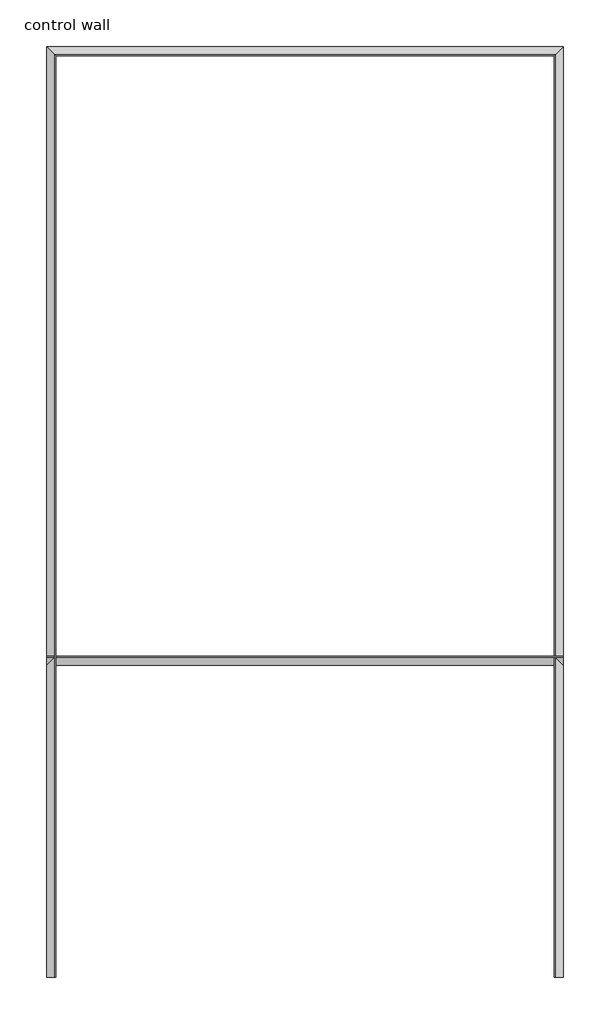
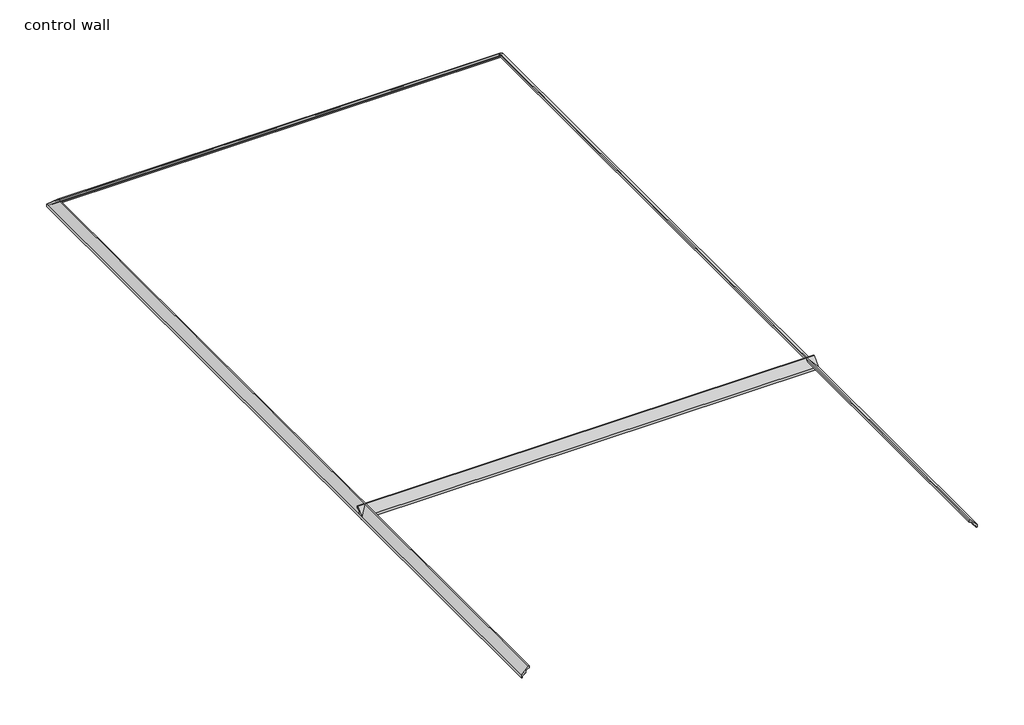
# One storey: 4 proxies.
"""IFC4 building model written with IfcOpenShell, lengths in millimetres."""

from ifc_helpers import new_model, si_unit, point, frame, frame_2d, origin, place, context, project, spatial, polyline, circle_curve, ellipse_curve, trimmed, segment, composite_curve, outline, extrude, element, save
from ifc_brep_helpers import plane_surface, cylinder_surface, revolved_surface, advanced_brep

model = new_model("IFC4")

# Units and contexts
model_context = context("Model", 3, world=origin())
ifc_project = project(units=[si_unit("LENGTHUNIT", "METRE", prefix="MILLI")], contexts=[model_context])

# Site, building, storey
site = spatial("IfcSite", under=ifc_project)
building = spatial("IfcBuilding", under=site)
storey = spatial("IfcBuildingStorey", under=building, Name="control wall", Elevation=2133.6)

# Proxies
placement = place(None, origin())
element("IfcBuildingElementProxy", 1, Name="Wall Sweeps", at=placement, inside=storey, context=model_context, shape_type="AdvancedBrep", body=[
    advanced_brep(
    [(18315.1984382, -10416.8252894, 2678.1793892), (18315.1984382, -10416.8252894, 2654.3), (18324.1786943, -10425.8055455, 2654.3), (18324.1786943, -10425.8055455, 2663.2802561), (18337.6490785, -10439.2759297, 2676.7506403), (18337.6490785, -10439.2759297, 2683.1006403), (18358.1737583, -10459.8006095, 2703.6253202), (18378.6984382, -10480.3252894, 2724.15), (18388.321747, -10489.9485982, 2724.15), (18388.321747, -10489.9485982, 2743.2), (18380.219049, -10481.8459002, 2743.2), (22429.9984382, -10416.8252894, 2678.1793892), (22364.9778274, -10481.8459002, 2743.2), (22356.8751294, -10489.9485982, 2743.2), (22356.8751294, -10489.9485982, 2724.15), (22366.4984382, -10480.3252894, 2724.15), (22387.023118, -10459.8006095, 2703.6253202), (22407.5477979, -10439.2759297, 2683.1006403), (22407.5477979, -10439.2759297, 2676.7506403), (22421.0181821, -10425.8055455, 2663.2802561), (22421.0181821, -10425.8055455, 2654.3), (22429.9984382, -10416.8252894, 2654.3)],
    [
        (0, 1),
        (1, 2),
        (2, 3),
        (3, 4, ellipse_curve(frame((18337.6490785, -10439.2759297, 2663.2802561), z_axis=(0.7071067811865476, 0.7071067811865476, 0.0), x_axis=(0.7071067811865474, -0.7071067811865476, 0.0)), 19.05, 13.4703842)),
        (4, 5),
        (5, 6, ellipse_curve(frame((18337.6490785, -10439.2759297, 2703.6253202), z_axis=(-0.7071067811865476, -0.7071067811865476, 0.0), x_axis=(-0.7071067811865474, 0.7071067811865476, 0.0)), 29.0262806, 20.5246798)),
        (6, 7, ellipse_curve(frame((18378.6984382, -10480.3252894, 2703.6253202), z_axis=(0.7071067811865476, 0.7071067811865476, 0.0), x_axis=(0.7071067811865474, -0.7071067811865476, 0.0)), 29.0262806, 20.5246798)),
        (7, 8),
        (8, 9),
        (9, 10),
        (10, 0),
        (11, 12),
        (12, 13),
        (13, 14),
        (14, 15),
        (15, 16, ellipse_curve(frame((22366.4984382, -10480.3252894, 2703.6253202), z_axis=(-0.707106781186544, 0.7071067811865511, 0.0), x_axis=(0.7071067811865509, 0.7071067811865441, 0.0)), 29.0262806, 20.5246798)),
        (16, 17, ellipse_curve(frame((22407.5477979, -10439.2759297, 2703.6253202), z_axis=(0.707106781186544, -0.7071067811865511, 0.0), x_axis=(-0.7071067811865509, -0.7071067811865441, 0.0)), 29.0262806, 20.5246798)),
        (17, 18),
        (18, 19, ellipse_curve(frame((22407.5477979, -10439.2759297, 2663.2802561), z_axis=(-0.707106781186544, 0.7071067811865511, 0.0), x_axis=(0.7071067811865509, 0.7071067811865441, 0.0)), 19.05, 13.4703842)),
        (19, 20),
        (20, 21),
        (21, 11),
        (0, 11),
        (21, 1),
        (20, 2),
        (19, 3),
        (18, 4),
        (17, 5),
        (16, 6),
        (15, 7),
        (14, 8),
        (13, 9),
        (12, 10),
    ],
    [
        plane_surface(frame((18315.1984382, -10416.8252894, 2959.1), z_axis=(-0.7071067811865476, -0.7071067811865476, 0.0), x_axis=(0.7071067811865476, -0.7071067811865476, 0.0))),
        plane_surface(frame((22429.9984382, -10416.8252894, 2959.1), z_axis=(0.707106781186544, -0.7071067811865511, 0.0), x_axis=(-0.7071067811865511, -0.707106781186544, 0.0))),
        plane_surface(frame((18315.1984382, -10416.8252894, 2678.1793892), z_axis=(0.0, 1.0, 0.0), x_axis=(1.0, 0.0, 0.0))),
        plane_surface(frame((18315.1984382, -10416.8252894, 2654.3), z_axis=(0.0, 0.0, -1.0), x_axis=(1.0, 0.0, 0.0))),
        plane_surface(frame((18324.1786943, -10425.8055455, 2654.3), z_axis=(0.0, -1.0, 0.0), x_axis=(1.0, 0.0, 0.0))),
        revolved_surface(polyline([(22421.0181821, -10452.7463139, 2663.2802561), (18324.1786943, -10452.7463139, 2663.2802561)]), (18315.1984382, -10439.2759297, 2663.2802561), (1.0, 0.0, 0.0)),
        plane_surface(frame((18337.6490785, -10439.2759297, 2676.7506403), z_axis=(0.0, -1.0, 0.0), x_axis=(1.0, 0.0, 0.0))),
        cylinder_surface(frame((18315.1984382, -10439.2759297, 2703.6253202), z_axis=(-1.0, 0.0, 0.0), x_axis=(0.0, -1.0, 0.0)), 20.5246798),
        revolved_surface(polyline([(22387.023118044883, -10500.8499692, 2703.6253202), (18358.1737583, -10500.8499692, 2703.6253202)]), (18315.1984382, -10480.3252894, 2703.6253202), (1.0, 0.0, 0.0)),
        plane_surface(frame((18378.6984382, -10480.3252894, 2724.15), z_axis=(0.0, 0.0, -1.0), x_axis=(1.0, 0.0, 0.0))),
        plane_surface(frame((18388.321747, -10489.9485982, 2724.15), z_axis=(0.0, -1.0, 0.0), x_axis=(1.0, 0.0, 0.0))),
        plane_surface(frame((18388.321747, -10489.9485982, 2743.2), z_axis=(0.0, 0.0, 1.0), x_axis=(1.0, 0.0, 0.0))),
        plane_surface(frame((18380.219049, -10481.8459002, 2743.2), z_axis=(0.0, 0.707106781186547, 0.707106781186548), x_axis=(1.0, 0.0, 0.0))),
    ],
    [
        (0, [[1, 2, 3, 4, 5, 6, 7, 8, 9, 10, 11]]),
        (1, [[12, 13, 14, 15, 16, 17, 18, 19, 20, 21, 22]]),
        (2, [[-1, 23, -22, 24]]),
        (3, [[-2, -24, -21, 25]]),
        (4, [[-3, -25, -20, 26]]),
        (5, [[-4, -26, -19, 27]]),
        (6, [[-5, -27, -18, 28]]),
        (7, [[-6, -28, -17, 29]]),
        (8, [[-7, -29, -16, 30]]),
        (9, [[-8, -30, -15, 31]]),
        (10, [[-9, -31, -14, 32]]),
        (11, [[-10, -32, -13, 33]]),
        (12, [[-11, -33, -12, -23]]),
    ],
),
])
element("IfcBuildingElementProxy", 2, Name="Wall Sweeps", at=placement, inside=storey, context=model_context, shape_type="AdvancedBrep", body=[
    advanced_brep(
    [(18315.1984382, -17830.1377894, 2678.1793892), (18315.1984382, -17830.1377894, 2654.3), (18324.1786943, -17830.1377894, 2654.3), (18324.1786943, -17830.1377894, 2663.2802561), (18337.6490785, -17830.1377894, 2676.7506403), (18337.6490785, -17830.1377894, 2683.1006403), (18358.1737583, -17830.1377894, 2703.6253202), (18378.6984382, -17830.1377894, 2724.15), (18388.321747, -17830.1377894, 2724.15), (18388.321747, -17830.1377894, 2743.2), (18380.219049, -17830.1377894, 2743.2), (18315.1984382, -10416.8252894, 2678.1793892), (18380.219049, -10481.8459002, 2743.2), (18388.321747, -10489.9485982, 2743.2), (18388.321747, -10489.9485982, 2724.15), (18378.6984382, -10480.3252894, 2724.15), (18358.1737583, -10459.8006095, 2703.6253202), (18337.6490785, -10439.2759297, 2683.1006403), (18337.6490785, -10439.2759297, 2676.7506403), (18324.1786943, -10425.8055455, 2663.2802561), (18324.1786943, -10425.8055455, 2654.3), (18315.1984382, -10416.8252894, 2654.3)],
    [
        (0, 1),
        (1, 2),
        (2, 3),
        (3, 4, circle_curve(frame((18337.6490785, -17830.1377894, 2663.2802561), z_axis=(0.0, 1.0, 0.0), x_axis=(1.0, 0.0, 0.0)), 13.4703842)),
        (4, 5),
        (5, 6, circle_curve(frame((18337.6490785, -17830.1377894, 2703.6253202), z_axis=(0.0, -1.0, 0.0), x_axis=(1.0, 0.0, 0.0)), 20.5246798)),
        (6, 7, circle_curve(frame((18378.6984382, -17830.1377894, 2703.6253202), z_axis=(0.0, 1.0, 0.0), x_axis=(1.0, 0.0, 0.0)), 20.5246798)),
        (7, 8),
        (8, 9),
        (9, 10),
        (10, 0),
        (11, 12),
        (12, 13),
        (13, 14),
        (14, 15),
        (15, 16, ellipse_curve(frame((18378.6984382, -10480.3252894, 2703.6253202), z_axis=(-0.7071067811865476, -0.7071067811865476, 0.0), x_axis=(-0.7071067811865476, 0.7071067811865474, 0.0)), 29.0262806, 20.5246798)),
        (16, 17, ellipse_curve(frame((18337.6490785, -10439.2759297, 2703.6253202), z_axis=(0.7071067811865476, 0.7071067811865476, 0.0), x_axis=(0.7071067811865476, -0.7071067811865474, 0.0)), 29.0262806, 20.5246798)),
        (17, 18),
        (18, 19, ellipse_curve(frame((18337.6490785, -10439.2759297, 2663.2802561), z_axis=(-0.7071067811865476, -0.7071067811865476, 0.0), x_axis=(-0.7071067811865476, 0.7071067811865474, 0.0)), 19.05, 13.4703842)),
        (19, 20),
        (20, 21),
        (21, 11),
        (0, 11),
        (21, 1),
        (20, 2),
        (19, 3),
        (18, 4),
        (17, 5),
        (16, 6),
        (15, 7),
        (14, 8),
        (13, 9),
        (12, 10),
    ],
    [
        plane_surface(frame((18200.0888022, -17830.1377894, 2654.3), z_axis=(0.0, -1.0, 0.0), x_axis=(0.0, 0.0, 1.0))),
        plane_surface(frame((18315.1984382, -10416.8252894, 2959.1), z_axis=(0.7071067811865476, 0.7071067811865476, 0.0), x_axis=(0.7071067811865476, -0.7071067811865476, 0.0))),
        plane_surface(frame((18315.1984382, -17830.1377894, 2678.1793892), z_axis=(-1.0, 0.0, 0.0), x_axis=(0.0, 1.0, 0.0))),
        plane_surface(frame((18315.1984382, -17830.1377894, 2654.3), z_axis=(0.0, 0.0, -1.0), x_axis=(0.0, 1.0, 0.0))),
        plane_surface(frame((18324.1786943, -17830.1377894, 2654.3), z_axis=(1.0, 0.0, 0.0), x_axis=(0.0, 1.0, 0.0))),
        revolved_surface(polyline([(18351.1194627, -10425.8055455, 2663.2802561), (18351.1194627, -17830.1377894, 2663.2802561)]), (18337.6490785, -17830.1377894, 2663.2802561), (0.0, 1.0, 0.0)),
        plane_surface(frame((18337.6490785, -17830.1377894, 2676.7506403), z_axis=(1.0, 0.0, 0.0), x_axis=(0.0, 1.0, 0.0))),
        cylinder_surface(frame((18337.6490785, -17830.1377894, 2703.6253202), z_axis=(0.0, -1.0, 0.0), x_axis=(1.0, 0.0, 0.0)), 20.5246798),
        revolved_surface(polyline([(18399.223118, -10459.8006095, 2703.6253202), (18399.223118, -17830.1377894, 2703.6253202)]), (18378.6984382, -17830.1377894, 2703.6253202), (0.0, 1.0, 0.0)),
        plane_surface(frame((18378.6984382, -17830.1377894, 2724.15), z_axis=(0.0, 0.0, -1.0), x_axis=(0.0, 1.0, 0.0))),
        plane_surface(frame((18388.321747, -17830.1377894, 2724.15), z_axis=(1.0, 0.0, 0.0), x_axis=(0.0, 1.0, 0.0))),
        plane_surface(frame((18388.321747, -17830.1377894, 2743.2), z_axis=(0.0, 0.0, 1.0), x_axis=(0.0, 1.0, 0.0))),
        plane_surface(frame((18380.219049, -17830.1377894, 2743.2), z_axis=(-0.707106781186547, 0.0, 0.707106781186548), x_axis=(0.0, 1.0, 0.0))),
    ],
    [
        (0, [[1, 2, 3, 4, 5, 6, 7, 8, 9, 10, 11]]),
        (1, [[12, 13, 14, 15, 16, 17, 18, 19, 20, 21, 22]]),
        (2, [[-1, 23, -22, 24]]),
        (3, [[-2, -24, -21, 25]]),
        (4, [[-3, -25, -20, 26]]),
        (5, [[-4, -26, -19, 27]]),
        (6, [[-5, -27, -18, 28]]),
        (7, [[-6, -28, -17, 29]]),
        (8, [[-7, -29, -16, 30]]),
        (9, [[-8, -30, -15, 31]]),
        (10, [[-9, -31, -14, 32]]),
        (11, [[-10, -32, -13, 33]]),
        (12, [[-11, -33, -12, -23]]),
    ],
),
])
element("IfcBuildingElementProxy", 3, Name="Wall Sweeps", at=placement, inside=storey, context=model_context, shape_type="AdvancedBrep", body=[
    advanced_brep(
    [(22429.9984382, -10416.8252894, 2678.1793892), (22429.9984382, -10416.8252894, 2654.3), (22421.0181821, -10425.8055455, 2654.3), (22421.0181821, -10425.8055455, 2663.2802561), (22407.5477979, -10439.2759297, 2676.7506403), (22407.5477979, -10439.2759297, 2683.1006403), (22387.023118, -10459.8006095, 2703.6253202), (22366.4984382, -10480.3252894, 2724.15), (22356.8751294, -10489.9485982, 2724.15), (22356.8751294, -10489.9485982, 2743.2), (22364.9778274, -10481.8459002, 2743.2), (22429.9984382, -17830.1377894, 2678.1793892), (22364.9778274, -17830.1377894, 2743.2), (22356.8751294, -17830.1377894, 2743.2), (22356.8751294, -17830.1377894, 2724.15), (22366.4984382, -17830.1377894, 2724.15), (22387.023118, -17830.1377894, 2703.6253202), (22407.5477979, -17830.1377894, 2683.1006403), (22407.5477979, -17830.1377894, 2676.7506403), (22421.0181821, -17830.1377894, 2663.2802561), (22421.0181821, -17830.1377894, 2654.3), (22429.9984382, -17830.1377894, 2654.3)],
    [
        (0, 1),
        (1, 2),
        (2, 3),
        (3, 4, ellipse_curve(frame((22407.5477979, -10439.2759297, 2663.2802561), z_axis=(0.707106781186544, -0.7071067811865511, 0.0), x_axis=(-0.7071067811865511, -0.7071067811865438, 0.0)), 19.05, 13.4703842)),
        (4, 5),
        (5, 6, ellipse_curve(frame((22407.5477979, -10439.2759297, 2703.6253202), z_axis=(-0.707106781186544, 0.7071067811865511, 0.0), x_axis=(0.7071067811865511, 0.7071067811865438, 0.0)), 29.0262806, 20.5246798)),
        (6, 7, ellipse_curve(frame((22366.4984382, -10480.3252894, 2703.6253202), z_axis=(0.707106781186544, -0.7071067811865511, 0.0), x_axis=(-0.7071067811865511, -0.7071067811865438, 0.0)), 29.0262806, 20.5246798)),
        (7, 8),
        (8, 9),
        (9, 10),
        (10, 0),
        (11, 12),
        (12, 13),
        (13, 14),
        (14, 15),
        (15, 16, circle_curve(frame((22366.4984382, -17830.1377894, 2703.6253202), z_axis=(0.0, 1.0, 0.0), x_axis=(-1.0, 0.0, 0.0)), 20.5246798)),
        (16, 17, circle_curve(frame((22407.5477979, -17830.1377894, 2703.6253202), z_axis=(0.0, -1.0, 0.0), x_axis=(-1.0, 0.0, 0.0)), 20.5246798)),
        (17, 18),
        (18, 19, circle_curve(frame((22407.5477979, -17830.1377894, 2663.2802561), z_axis=(0.0, 1.0, 0.0), x_axis=(-1.0, 0.0, 0.0)), 13.4703842)),
        (19, 20),
        (20, 21),
        (21, 11),
        (0, 11),
        (21, 1),
        (20, 2),
        (19, 3),
        (18, 4),
        (17, 5),
        (16, 6),
        (15, 7),
        (14, 8),
        (13, 9),
        (12, 10),
    ],
    [
        plane_surface(frame((22429.9984382, -10416.8252894, 2959.1), z_axis=(-0.707106781186544, 0.7071067811865511, 0.0), x_axis=(-0.7071067811865511, -0.707106781186544, 0.0))),
        plane_surface(frame((22314.8888022, -17830.1377894, 2654.3), z_axis=(0.0, -1.0, 0.0), x_axis=(0.0, 0.0, -1.0))),
        plane_surface(frame((22429.9984382, -10416.8252894, 2678.1793892), z_axis=(1.0, 0.0, 0.0), x_axis=(0.0, -1.0, 0.0))),
        plane_surface(frame((22429.9984382, -10416.8252894, 2654.3), z_axis=(0.0, 0.0, -1.0), x_axis=(0.0, -1.0, 0.0))),
        plane_surface(frame((22421.0181821, -10425.8055455, 2654.3), z_axis=(-1.0, 0.0, 0.0), x_axis=(0.0, -1.0, 0.0))),
        revolved_surface(polyline([(22394.077413699997, -17830.1377894, 2663.2802561), (22394.077413699997, -10425.8055455, 2663.2802561)]), (22407.5477979, -10416.8252894, 2663.2802561), (0.0, -1.0, 0.0)),
        plane_surface(frame((22407.5477979, -10439.2759297, 2676.7506403), z_axis=(-1.0, 0.0, 0.0), x_axis=(0.0, -1.0, 0.0))),
        cylinder_surface(frame((22407.5477979, -10416.8252894, 2703.6253202), z_axis=(0.0, 1.0, 0.0), x_axis=(-1.0, 0.0, 0.0)), 20.5246798),
        revolved_surface(polyline([(22345.9737584, -17830.1377894, 2703.6253202), (22345.9737584, -10459.8006095, 2703.6253202)]), (22366.4984382, -10416.8252894, 2703.6253202), (0.0, -1.0, 0.0)),
        plane_surface(frame((22366.4984382, -10480.3252894, 2724.15), z_axis=(0.0, 0.0, -1.0), x_axis=(0.0, -1.0, 0.0))),
        plane_surface(frame((22356.8751294, -10489.9485982, 2724.15), z_axis=(-1.0, 0.0, 0.0), x_axis=(0.0, -1.0, 0.0))),
        plane_surface(frame((22356.8751294, -10489.9485982, 2743.2), z_axis=(0.0, 0.0, 1.0), x_axis=(0.0, -1.0, 0.0))),
        plane_surface(frame((22364.9778274, -10481.8459002, 2743.2), z_axis=(0.707106781186547, 0.0, 0.707106781186548), x_axis=(0.0, -1.0, 0.0))),
    ],
    [
        (0, [[1, 2, 3, 4, 5, 6, 7, 8, 9, 10, 11]]),
        (1, [[12, 13, 14, 15, 16, 17, 18, 19, 20, 21, 22]]),
        (2, [[-1, 23, -22, 24]]),
        (3, [[-2, -24, -21, 25]]),
        (4, [[-3, -25, -20, 26]]),
        (5, [[-4, -26, -19, 27]]),
        (6, [[-5, -27, -18, 28]]),
        (7, [[-6, -28, -17, 29]]),
        (8, [[-7, -29, -16, 30]]),
        (9, [[-8, -30, -15, 31]]),
        (10, [[-9, -31, -14, 32]]),
        (11, [[-10, -32, -13, 33]]),
        (12, [[-11, -33, -12, -23]]),
    ],
),
])
element("IfcBuildingElementProxy", 4, Name="Wall Sweeps", at=placement, inside=storey, context=model_context, shape_type="SweptSolid", body=[
    extrude(outline(composite_curve([segment(polyline([(-15344.1127894, 2678.1793892), (-15279.0921786, 2743.2), (-15270.9894806, 2743.2), (-15270.9894806, 2724.15), (-15280.6127894, 2724.15)]), True, "CONTINUOUS"), segment(trimmed(circle_curve(frame_2d((-15280.6127894, 2703.6253202)), 20.5246798), [point((-15280.6127894, 2724.15))], [point((-15301.1374692, 2703.6253202))], True, "CARTESIAN"), True, "CONTINUOUS"), segment(trimmed(circle_curve(frame_2d((-15321.6621491, 2703.6253202)), 20.5246798), [point((-15301.1374692, 2703.6253202))], [point((-15321.6621491, 2683.1006403))], False, "CARTESIAN"), True, "CONTINUOUS"), segment(polyline([(-15321.6621491, 2683.1006403), (-15321.6621491, 2676.7506403)]), True, "CONTINUOUS"), segment(trimmed(circle_curve(frame_2d((-15321.6621491, 2663.2802561)), 13.4703842), [point((-15321.6621491, 2676.7506403))], [point((-15335.1325333, 2663.2802561))], True, "CARTESIAN"), True, "CONTINUOUS"), segment(polyline([(-15335.1325333, 2663.2802561), (-15335.1325333, 2654.3), (-15344.1127894, 2654.3), (-15344.1127894, 2678.1793892)]), True, "CONTINUOUS")], self_intersect=False)), frame((18315.1984382, 0.0, 0.0), z_axis=(1.0, 0.0, 0.0), x_axis=(0.0, 1.0, 0.0)), (0.0, 0.0, 1.0), 4114.8),
])

save(model, "model.ifc")
